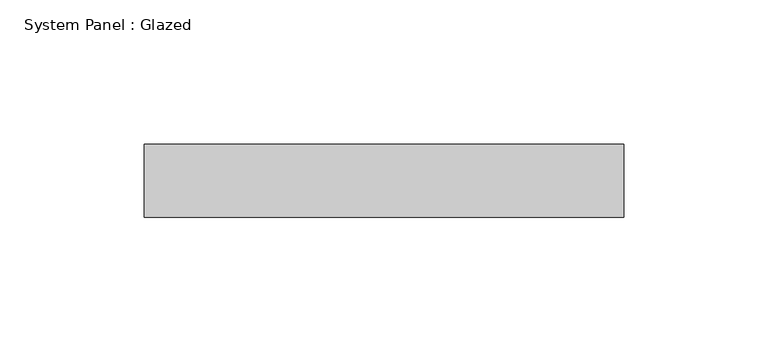
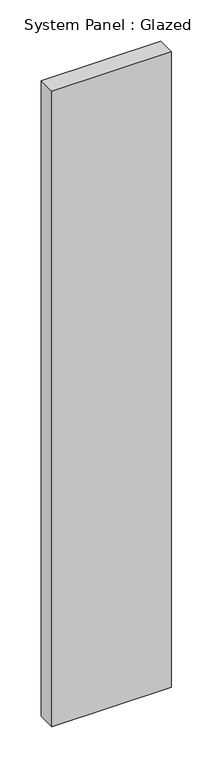
"""IFC4 building model written with IfcOpenShell, lengths in millimetres: plate geometry, System Panel : Glazed."""

from ifc_helpers import new_model, si_unit, origin, origin_with_axes, place, context, project, spatial, polyline, outline, extrude, source, transform, mapped, element, save


def system_panel_glazed_637935cf(model_context):
    return source(origin(), model_context, "Body", "SweptSolid", [
        extrude(outline(polyline([(83.25, -44.45), (-83.25, -44.45), (-83.25, -19.05), (83.25, -19.05), (83.25, -44.45)])), origin_with_axes(), (0.0, 0.0, 1.0), 936.5),
    ])


if __name__ == "__main__":
    model = new_model("IFC4")
    model_context = context("Model", 3, world=origin())
    ifc_project = project(units=[si_unit("LENGTHUNIT", "METRE", prefix="MILLI")], contexts=[model_context])
    site = spatial("IfcSite", under=ifc_project)
    building = spatial("IfcBuilding", under=site)
    placement = place(None, origin())
    system_panel_glazed_shape = system_panel_glazed_637935cf(model_context)
    element("IfcPlate", 1, ObjectType="System Panel : Glazed", at=placement, inside=building, context=model_context, shape_type="MappedRepresentation", body=[
        mapped(system_panel_glazed_shape, transform((0.0, 0.0, 0.0), x_axis=(1.0, 0.0, 0.0), y_axis=(0.0, 1.0, 0.0), z_axis=(0.0, 0.0, 1.0))),
    ])
    save(model, "model.ifc")
